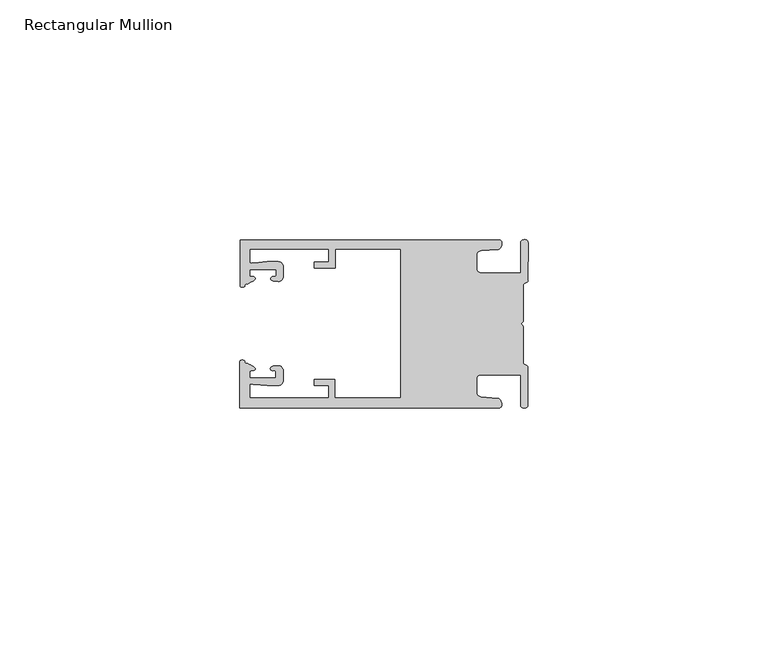
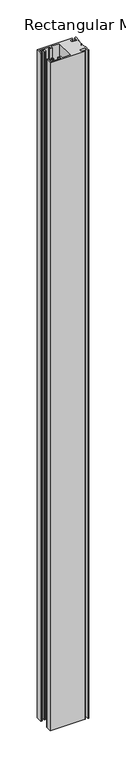
"""IFC4 building model written with IfcOpenShell, lengths in millimetres: member geometry, Rectangular Mullion."""

from ifc_helpers import new_model, si_unit, frame, origin, place, context, project, spatial, circle_curve, source, transform, mapped, element, save
from ifc_brep_helpers import plane_surface, cylinder_surface, extruded_surface, spline_curve, advanced_brep


def rectangular_mullion_dce76a19(model_context):
    return source(origin(), model_context, "Body", "AdvancedBrep", [
        advanced_brep(
        [(-60.0749377, 17.5111528, 0.0), (-60.0749377, 8.0140787, 0.0), (-59.3252567, 7.7187455, 0.0), (-58.4967974, 8.36785, 0.0), (-58.0726619, 10.1173923, 0.0), (-58.0713101, 11.3673916, 0.0), (-52.5713133, 11.3614437, 0.0), (-52.5726651, 10.1114444, 0.0), (-53.1427626, 8.8955539, 0.0), (-52.0740172, 8.8609044, 0.0), (-51.0729364, 9.8598224, 0.0), (-51.0706653, 11.9598211, 0.0), (-52.0700692, 12.9609024, 0.0), (-54.3905105, 12.9622843, 0.0), (-57.1599646, 12.7230061, 0.0), (-58.0696339, 12.9173907, 0.0), (-58.066768, 15.5673891, 0.0), (-41.5667584, 15.5673891, 0.0), (-41.5695894, 12.9495468, 0.0), (-44.5695877, 12.9527912, 0.0), (-44.5709936, 11.6527919, 0.0), (-40.2709961, 11.6481417, 0.0), (-40.2667576, 15.5673891, 0.0), (-26.6002952, 15.5673891, 0.0), (-26.6002952, -15.4518424, 0.0), (-40.3003032, -15.4518424, 0.0), (-40.2960856, -11.5518447, 0.0), (-44.5960831, -11.5471945, 0.0), (-44.597489, -12.8471938, 0.0), (-41.5974907, -12.8504381, 0.0), (-41.6003025, -15.4504366, 0.0), (-58.1002928, -15.4325927, 0.0), (-58.097427, -12.7825943, 0.0), (-57.1873395, -12.5901776, 0.0), (-54.4184094, -12.8354453, 0.0), (-52.0979705, -12.8390822, 0.0), (-51.0964037, -11.8401649, 0.0), (-51.0941327, -9.7401662, 0.0), (-52.0930507, -8.7390853, 0.0), (-53.1618685, -8.7714231, 0.0), (-52.5944022, -9.9885439, 0.0), (-52.595754, -11.2385431, 0.0), (-58.0957508, -11.2325952, 0.0), (-58.094399, -9.9825959, 0.0), (-58.5147494, -8.2321403, 0.0), (-59.3418028, -7.5812455, 0.0), (-60.0921208, -7.8749565, 0.0), (-60.0921208, -17.4888267, 0.0), (-6.1024861, -17.4888267, 0.0), (-6.5218639, -15.488372, 0.0), (-9.8784944, -15.2205466, 0.0), (-10.7989567, -14.2226333, 0.0), (-10.7961029, -11.5837474, 0.0), (-9.8734844, -10.5878272, 0.0), (-1.5950266, -10.5934991, 0.0), (-1.601948, -16.9936935, 0.0), (-0.1017194, -16.7830581, 0.0), (-0.0933208, -9.0170082, 0.0), (-1.0923837, -8.1499018, 0.0), (-1.0842165, -0.5977972, 0.0), (-1.0829111, 0.6093089, 0.0), (-1.0747439, 8.1614135, 0.0), (-0.0738079, 9.026357, 0.0), (-0.0654093, 16.7924069, 0.0), (-1.5651789, 17.0062866, 0.0), (-1.5651789, 10.6183257, 0.0), (-9.8505511, 10.6183257, 0.0), (-10.7710133, 11.6162391, 0.0), (-10.7681595, 14.255125, 0.0), (-9.845541, 15.2510452, 0.0), (-6.4883391, 15.5116099, 0.0), (-6.0646356, 17.5111528, 0.0), (-60.0749377, 17.5111528, -1097.68), (-6.0646356, 17.5111528, -1097.68), (-6.4883391, 15.5116099, -1097.68), (-9.845541, 15.2510452, -1097.68), (-10.7681595, 14.255125, -1097.68), (-10.7710133, 11.6162391, -1097.68), (-9.8505511, 10.6183257, -1097.68), (-1.5651789, 10.6183257, -1097.68), (-1.5651789, 17.0062866, -1097.68), (-0.0654093, 16.7924069, -1097.68), (-0.0738079, 9.026357, -1097.68), (-1.0747439, 8.1614135, -1097.68), (-1.0829111, 0.6093089, -1097.68), (-1.0842165, -0.5977972, -1097.68), (-1.0923837, -8.1499018, -1097.68), (-0.0933208, -9.0170082, -1097.68), (-0.1017194, -16.7830581, -1097.68), (-1.601948, -16.9936935, -1097.68), (-1.5950266, -10.5934991, -1097.68), (-9.8734844, -10.5878272, -1097.68), (-10.7961029, -11.5837474, -1097.68), (-10.7989567, -14.2226333, -1097.68), (-9.8784944, -15.2205466, -1097.68), (-6.5218639, -15.488372, -1097.68), (-6.1024861, -17.4888267, -1097.68), (-60.0921208, -17.4888267, -1097.68), (-60.0921208, -7.8749565, -1097.68), (-59.3418028, -7.5812455, -1097.68), (-58.5147494, -8.2321403, -1097.68), (-58.094399, -9.9825959, -1097.68), (-58.0957508, -11.2325952, -1097.68), (-52.595754, -11.2385431, -1097.68), (-52.5944022, -9.9885439, -1097.68), (-53.1618685, -8.7714231, -1097.68), (-52.0930507, -8.7390853, -1097.68), (-51.0941327, -9.7401662, -1097.68), (-51.0964037, -11.8401649, -1097.68), (-52.0979705, -12.8390823, -1097.68), (-54.4184094, -12.8354453, -1097.68), (-57.1873395, -12.5901776, -1097.68), (-58.097427, -12.7825943, -1097.68), (-58.1002928, -15.4325927, -1097.68), (-41.6003025, -15.4504366, -1097.68), (-41.5974907, -12.8504381, -1097.68), (-44.597489, -12.8471938, -1097.68), (-44.5960831, -11.5471945, -1097.68), (-40.2960856, -11.5518447, -1097.68), (-40.3003032, -15.4518424, -1097.68), (-26.6002952, -15.4518424, -1097.68), (-26.6002952, 15.5673891, -1097.68), (-40.2667576, 15.5673891, -1097.68), (-40.2709961, 11.6481417, -1097.68), (-44.5709936, 11.6527919, -1097.68), (-44.5695877, 12.9527912, -1097.68), (-41.5695894, 12.9495468, -1097.68), (-41.5667584, 15.5673891, -1097.68), (-58.066768, 15.5673891, -1097.68), (-58.0696339, 12.9173907, -1097.68), (-57.1599646, 12.7230061, -1097.68), (-54.3905105, 12.9622843, -1097.68), (-52.0700692, 12.9609023, -1097.68), (-51.0706653, 11.9598211, -1097.68), (-51.0729364, 9.8598224, -1097.68), (-52.0740172, 8.8609044, -1097.68), (-53.1427626, 8.8955539, -1097.68), (-52.5726651, 10.1114444, -1097.68), (-52.5713133, 11.3614437, -1097.68), (-58.0713101, 11.3673916, -1097.68), (-58.0726619, 10.1173923, -1097.68), (-58.4967974, 8.36785, -1097.68), (-59.3252567, 7.7187455, -1097.68), (-60.0749377, 8.0140787, -1097.68)],
        [
            (0, 1),
            (1, 2, spline_curve(3, [(-60.0749377, 8.0140787, 0.0), (-60.075233123, 7.740904774, 0.0), (-59.825339491, 7.642460332, 0.0), (-59.3252567, 7.7187455, 0.0)], [4, 4], [0.0, 0.0019169337574178654])),
            (2, 3, spline_curve(3, [(-59.3252567, 7.7187455, 0.0), (-59.094460914, 7.75918372, 0.0), (-59.054835463, 7.902257199, 0.0), (-59.05559987, 8.233305614, 0.0), (-59.138729113, 8.4134359, 0.0), (-58.4967974, 8.36785, 0.0)], [4, 2, 4], [0.0, 0.0010199524164107188, 0.0024874514725970356])),
            (3, 4, spline_curve(3, [(-58.4967974, 8.36785, 0.0), (-57.022393378, 9.053435667, 0.0), (-56.827266887, 9.364828726, 0.0), (-56.982213078, 9.742623404, 0.0), (-57.177375211, 9.855581791, 0.0), (-57.697928101, 9.887955071, 0.0), (-57.997449153, 9.835475348, 0.0), (-58.0726619, 10.1173923, 0.0)], [4, 2, 2, 4], [0.0, 0.003269869179570428, 0.005490050486237203, 0.0073545767114364426])),
            (4, 5),
            (5, 6),
            (6, 7),
            (7, 8, spline_curve(3, [(-52.5726651, 10.1114444, 0.0), (-52.667195519, 9.760172042, 0.0), (-52.937094388, 9.861877724, 0.0), (-53.356237032, 9.895631753, 0.0), (-53.491940439, 9.811038713, 0.0), (-53.761900775, 9.511438033, 0.0), (-53.892893546, 9.278787104, 0.0), (-53.1427626, 8.8955539, 0.0)], [4, 2, 2, 4], [0.0, 0.001593963049934732, 0.0033360256320283306, 0.005339140673503943])),
            (8, 9),
            (9, 10, circle_curve(frame((-52.0729358, 9.8609038, 0.0), z_axis=(0.0, 0.0, 1.0), x_axis=(-0.0010814451158600304, -0.9999994152380598, 0.0)), 1.0)),
            (10, 11),
            (11, 12, circle_curve(frame((-52.0706647, 11.9609026, 0.0), z_axis=(0.0, 0.0, 1.0), x_axis=(-0.0010814451158600304, -0.9999994152380598, 0.0)), 1.0)),
            (12, 13),
            (13, 14),
            (14, 15, spline_curve(3, [(-57.1599646, 12.7230061, 0.0), (-57.631533854, 12.682262968, 0.0), (-58.018602985, 12.477800124, 0.0), (-58.0696339, 12.9173907, 0.0)], [4, 4], [0.0, 0.0014803385355886016])),
            (15, 16),
            (16, 17),
            (17, 18),
            (18, 19),
            (19, 20),
            (20, 21),
            (21, 22),
            (22, 23),
            (23, 24),
            (24, 25),
            (25, 26),
            (26, 27),
            (27, 28),
            (28, 29),
            (29, 30),
            (30, 31),
            (31, 32),
            (32, 33, spline_curve(3, [(-58.097427, -12.7825943, 0.0), (-58.045445419, -12.343115126, 0.0), (-57.658819528, -12.548414611, 0.0), (-57.1873395, -12.5901776, 0.0)], [4, 4], [0.0, 0.0014803385355886016])),
            (33, 34),
            (34, 35),
            (35, 36, circle_curve(frame((-52.0964031, -11.8390835, 0.0), z_axis=(0.0, 0.0, 1.0), x_axis=(0.0010814451158600304, 0.9999994152380598, 0.0)), 1.0)),
            (36, 37),
            (37, 38, circle_curve(frame((-52.0941321, -9.7390847, 0.0), z_axis=(0.0, 0.0, 1.0), x_axis=(0.0010814451158600304, 0.9999994152380598, 0.0)), 1.0)),
            (38, 39),
            (39, 40, spline_curve(3, [(-53.1618685, -8.7714231, 0.0), (-53.912826582, -9.153032958, 0.0), (-53.782337352, -9.385966711, 0.0), (-53.51302565, -9.686150585, 0.0), (-53.377505444, -9.771037009, 0.0), (-52.958290774, -9.738189618, 0.0), (-52.688172635, -9.637067904, 0.0), (-52.5944022, -9.9885439, 0.0)], [4, 2, 2, 4], [0.0, 0.002003115041475612, 0.0037451776235692107, 0.005339140673503943])),
            (40, 41),
            (41, 42),
            (42, 43),
            (43, 44, spline_curve(3, [(-58.094399, -9.9825959, 0.0), (-58.018576674, -9.700842284, 0.0), (-57.719169706, -9.753969703, 0.0), (-57.198548014, -9.722722397, 0.0), (-57.003142178, -9.61018632, 0.0), (-56.847379222, -9.232727657, 0.0), (-57.041831673, -8.920913336, 0.0), (-58.5147494, -8.2321403, 0.0)], [4, 2, 2, 4], [0.0, 0.0018645262251992395, 0.004084707531866015, 0.0073545767114364426])),
            (44, 45, spline_curve(3, [(-58.5147494, -8.2321403, 0.0), (-59.156778208, -8.276337666, 0.0), (-59.073259494, -8.096387681, 0.0), (-59.071779067, -7.765341694, 0.0), (-59.111095017, -7.622182811, 0.0), (-59.3418028, -7.5812455, 0.0)], [4, 2, 4], [0.0, 0.0014674990561863168, 0.0024874514725970356])),
            (45, 46, spline_curve(3, [(-59.3418028, -7.5812455, 0.0), (-59.841719425, -7.503878887, 0.0), (-60.091825377, -7.601782574, 0.0), (-60.0921208, -7.8749565, 0.0)], [4, 4], [0.0, 0.0019169337574178654])),
            (46, 47),
            (47, 48),
            (48, 49, spline_curve(3, [(-6.1024861, -17.4888267, 0.0), (-5.074532184, -17.418062188, 0.0), (-5.631140689, -15.411414367, 0.0), (-6.5218639, -15.488372, 0.0)], [4, 4], [0.0, 0.0043819361547461745])),
            (49, 50),
            (50, 51, spline_curve(3, [(-9.8784944, -15.2205466, 0.0), (-10.440691543, -15.150698463, 0.0), (-10.74751234, -14.818060727, 0.0), (-10.7989567, -14.2226333, 0.0)], [4, 4], [0.0, 0.0028645797420738927])),
            (51, 52),
            (52, 53, spline_curve(3, [(-10.7961029, -11.5837474, 0.0), (-10.743370817, -10.988432634, 0.0), (-10.435831301, -10.656459204, 0.0), (-9.8734844, -10.5878272, 0.0)], [4, 4], [0.0, 0.0028645797420738927])),
            (53, 54),
            (54, 55),
            (55, 56, spline_curve(3, [(-1.601948, -16.9936935, 0.0), (-1.655676874, -17.600261454, 0.0), (-0.043737403, -17.912795581, 0.0), (-0.1017194, -16.7830581, 0.0)], [4, 4], [0.0, 0.0036987374396357936])),
            (56, 57),
            (57, 58, spline_curve(3, [(-0.0933208, -9.0170082, 0.0), (-0.018818183, -8.695886697, 0.0), (-1.193434327, -8.459763043, 0.0), (-1.0923837, -8.1499018, 0.0)], [4, 4], [0.0, 0.002027216749630121])),
            (58, 59),
            (59, 60, spline_curve(3, [(-1.0842165, -0.5977972, 0.0), (-1.013223198, -0.445980437, 0.0), (-1.487945123, -0.206736825, 0.0), (-1.487409651, 0.231097965, 0.0), (-0.999110985, 0.429090391, 0.0), (-1.0829111, 0.6093089, 0.0)], [4, 2, 4], [0.0, 0.00249866671847065, 0.005031402919736269])),
            (60, 61),
            (61, 62, spline_curve(3, [(-1.0747439, 8.1614135, 0.0), (-1.175124095, 8.47149258, 0.0), (-7e-09, 8.705075107, 0.0), (-0.0738079, 9.026357, 0.0)], [4, 4], [0.0, 0.002027216749630121])),
            (62, 63),
            (63, 64, spline_curve(3, [(-0.0654093, 16.7924069, 0.0), (-0.004983942, 17.92201633, 0.0), (-1.617595709, 17.612969344, 0.0), (-1.5651789, 17.0062866, 0.0)], [4, 4], [0.0, 0.0036987374396357936])),
            (64, 65),
            (65, 66),
            (66, 67, spline_curve(3, [(-9.8505511, 10.6183257, 0.0), (-10.412748243, 10.688173837, 0.0), (-10.71956894, 11.020811673, 0.0), (-10.7710133, 11.6162391, 0.0)], [4, 4], [0.0, 0.0028645797420738927])),
            (67, 68),
            (68, 69, spline_curve(3, [(-10.7681595, 14.255125, 0.0), (-10.715427417, 14.850439766, 0.0), (-10.407887901, 15.182413196, 0.0), (-9.845541, 15.2510452, 0.0)], [4, 4], [0.0, 0.0028645797420738927])),
            (69, 70),
            (70, 71, spline_curve(3, [(-6.4883391, 15.5116099, 0.0), (-5.597784423, 15.432725911, 0.0), (-5.036837144, 17.438165103, 0.0), (-6.0646356, 17.5111528, 0.0)], [4, 4], [0.0, 0.0043819361547461745])),
            (71, 0),
            (72, 73),
            (73, 74, spline_curve(3, [(-6.0646356, 17.5111528, -1097.68), (-5.036837144, 17.438165103, -1097.68), (-5.597784423, 15.432725911, -1097.68), (-6.4883391, 15.5116099, -1097.68)], [4, 4], [0.0, 0.0043819361547461745])),
            (74, 75),
            (75, 76, spline_curve(3, [(-9.845541, 15.2510452, -1097.68), (-10.407887901, 15.182413196, -1097.68), (-10.715427417, 14.850439766, -1097.68), (-10.7681595, 14.255125, -1097.68)], [4, 4], [0.0, 0.0028645797420738927])),
            (76, 77),
            (77, 78, spline_curve(3, [(-10.7710133, 11.6162391, -1097.68), (-10.71956894, 11.020811673, -1097.68), (-10.412748243, 10.688173837, -1097.68), (-9.8505511, 10.6183257, -1097.68)], [4, 4], [0.0, 0.0028645797420738927])),
            (78, 79),
            (79, 80),
            (80, 81, spline_curve(3, [(-1.5651789, 17.0062866, -1097.68), (-1.617595709, 17.612969344, -1097.68), (-0.004983942, 17.92201633, -1097.68), (-0.0654093, 16.7924069, -1097.68)], [4, 4], [0.0, 0.0036987374396357936])),
            (81, 82),
            (82, 83, spline_curve(3, [(-0.0738079, 9.026357, -1097.68), (-7e-09, 8.705075107, -1097.68), (-1.175124095, 8.47149258, -1097.68), (-1.0747439, 8.1614135, -1097.68)], [4, 4], [0.0, 0.002027216749630121])),
            (83, 84),
            (84, 85, spline_curve(3, [(-1.0829111, 0.6093089, -1097.68), (-0.999110985, 0.429090391, -1097.68), (-1.487409651, 0.231097965, -1097.68), (-1.487945123, -0.206736825, -1097.68), (-1.013223198, -0.445980437, -1097.68), (-1.0842165, -0.5977972, -1097.68)], [4, 2, 4], [0.0, 0.002532736201265619, 0.005031402919736269])),
            (85, 86),
            (86, 87, spline_curve(3, [(-1.0923837, -8.1499018, -1097.68), (-1.193434327, -8.459763043, -1097.68), (-0.018818183, -8.695886697, -1097.68), (-0.0933208, -9.0170082, -1097.68)], [4, 4], [0.0, 0.002027216749630121])),
            (87, 88),
            (88, 89, spline_curve(3, [(-0.1017194, -16.7830581, -1097.68), (-0.043737403, -17.912795581, -1097.68), (-1.655676874, -17.600261454, -1097.68), (-1.601948, -16.9936935, -1097.68)], [4, 4], [0.0, 0.0036987374396357936])),
            (89, 90),
            (90, 91),
            (91, 92, spline_curve(3, [(-9.8734844, -10.5878272, -1097.68), (-10.435831301, -10.656459204, -1097.68), (-10.743370817, -10.988432634, -1097.68), (-10.7961029, -11.5837474, -1097.68)], [4, 4], [0.0, 0.0028645797420738927])),
            (92, 93),
            (93, 94, spline_curve(3, [(-10.7989567, -14.2226333, -1097.68), (-10.74751234, -14.818060727, -1097.68), (-10.440691543, -15.150698463, -1097.68), (-9.8784944, -15.2205466, -1097.68)], [4, 4], [0.0, 0.0028645797420738927])),
            (94, 95),
            (95, 96, spline_curve(3, [(-6.5218639, -15.488372, -1097.68), (-5.631140689, -15.411414367, -1097.68), (-5.074532184, -17.418062188, -1097.68), (-6.1024861, -17.4888267, -1097.68)], [4, 4], [0.0, 0.0043819361547461745])),
            (96, 97),
            (97, 98),
            (98, 99, spline_curve(3, [(-60.0921208, -7.8749565, -1097.68), (-60.091825377, -7.601782574, -1097.68), (-59.841719425, -7.503878887, -1097.68), (-59.3418028, -7.5812455, -1097.68)], [4, 4], [0.0, 0.0019169337574178654])),
            (99, 100, spline_curve(3, [(-59.3418028, -7.5812455, -1097.68), (-59.111095017, -7.622182811, -1097.68), (-59.071779067, -7.765341694, -1097.68), (-59.073259494, -8.096387681, -1097.68), (-59.156778208, -8.276337666, -1097.68), (-58.5147494, -8.2321403, -1097.68)], [4, 2, 4], [0.0, 0.0010199524164107188, 0.0024874514725970356])),
            (100, 101, spline_curve(3, [(-58.5147494, -8.2321403, -1097.68), (-57.041831673, -8.920913336, -1097.68), (-56.847379222, -9.232727657, -1097.68), (-57.003142178, -9.61018632, -1097.68), (-57.198548014, -9.722722397, -1097.68), (-57.719169706, -9.753969703, -1097.68), (-58.018576674, -9.700842284, -1097.68), (-58.094399, -9.9825959, -1097.68)], [4, 2, 2, 4], [0.0, 0.003269869179570428, 0.005490050486237203, 0.0073545767114364426])),
            (101, 102),
            (102, 103),
            (103, 104),
            (104, 105, spline_curve(3, [(-52.5944022, -9.9885439, -1097.68), (-52.688172635, -9.637067904, -1097.68), (-52.958290774, -9.738189618, -1097.68), (-53.377505444, -9.771037009, -1097.68), (-53.51302565, -9.686150585, -1097.68), (-53.782337352, -9.385966711, -1097.68), (-53.912826582, -9.153032958, -1097.68), (-53.1618685, -8.7714231, -1097.68)], [4, 2, 2, 4], [0.0, 0.001593963049934732, 0.0033360256320283306, 0.005339140673503943])),
            (105, 106),
            (106, 107, circle_curve(frame((-52.0941321, -9.7390847, -1097.68), z_axis=(0.0, 0.0, -1.0), x_axis=(0.0010814451158600304, 0.9999994152380598, 0.0)), 1.0)),
            (107, 108),
            (108, 109, circle_curve(frame((-52.0964031, -11.8390835, -1097.68), z_axis=(0.0, 0.0, -1.0), x_axis=(0.0010814451158600304, 0.9999994152380598, 0.0)), 1.0)),
            (109, 110),
            (110, 111),
            (111, 112, spline_curve(3, [(-57.1873395, -12.5901776, -1097.68), (-57.658819528, -12.548414611, -1097.68), (-58.045445419, -12.343115126, -1097.68), (-58.097427, -12.7825943, -1097.68)], [4, 4], [0.0, 0.0014803385355886016])),
            (112, 113),
            (113, 114),
            (114, 115),
            (115, 116),
            (116, 117),
            (117, 118),
            (118, 119),
            (119, 120),
            (120, 121),
            (121, 122),
            (122, 123),
            (123, 124),
            (124, 125),
            (125, 126),
            (126, 127),
            (127, 128),
            (128, 129),
            (129, 130, spline_curve(3, [(-58.0696339, 12.9173907, -1097.68), (-58.018602985, 12.477800124, -1097.68), (-57.631533854, 12.682262968, -1097.68), (-57.1599646, 12.7230061, -1097.68)], [4, 4], [0.0, 0.0014803385355886016])),
            (130, 131),
            (131, 132),
            (132, 133, circle_curve(frame((-52.0706647, 11.9609026, -1097.68), z_axis=(0.0, 0.0, -1.0), x_axis=(-0.0010814451158600304, -0.9999994152380598, 0.0)), 1.0)),
            (133, 134),
            (134, 135, circle_curve(frame((-52.0729358, 9.8609038, -1097.68), z_axis=(0.0, 0.0, -1.0), x_axis=(-0.0010814451158600304, -0.9999994152380598, 0.0)), 1.0)),
            (135, 136),
            (136, 137, spline_curve(3, [(-53.1427626, 8.8955539, -1097.68), (-53.892893546, 9.278787104, -1097.68), (-53.761900775, 9.511438033, -1097.68), (-53.491940439, 9.811038713, -1097.68), (-53.356237032, 9.895631753, -1097.68), (-52.937094388, 9.861877724, -1097.68), (-52.667195519, 9.760172042, -1097.68), (-52.5726651, 10.1114444, -1097.68)], [4, 2, 2, 4], [0.0, 0.002003115041475612, 0.0037451776235692107, 0.005339140673503943])),
            (137, 138),
            (138, 139),
            (139, 140),
            (140, 141, spline_curve(3, [(-58.0726619, 10.1173923, -1097.68), (-57.997449153, 9.835475348, -1097.68), (-57.697928101, 9.887955071, -1097.68), (-57.177375211, 9.855581791, -1097.68), (-56.982213078, 9.742623404, -1097.68), (-56.827266887, 9.364828726, -1097.68), (-57.022393378, 9.053435667, -1097.68), (-58.4967974, 8.36785, -1097.68)], [4, 2, 2, 4], [0.0, 0.0018645262251992395, 0.004084707531866015, 0.0073545767114364426])),
            (141, 142, spline_curve(3, [(-58.4967974, 8.36785, -1097.68), (-59.138729113, 8.4134359, -1097.68), (-59.05559987, 8.233305614, -1097.68), (-59.054835463, 7.902257199, -1097.68), (-59.094460914, 7.75918372, -1097.68), (-59.3252567, 7.7187455, -1097.68)], [4, 2, 4], [0.0, 0.0014674990561863168, 0.0024874514725970356])),
            (142, 143, spline_curve(3, [(-59.3252567, 7.7187455, -1097.68), (-59.825339491, 7.642460332, -1097.68), (-60.075233123, 7.740904774, -1097.68), (-60.0749377, 8.0140787, -1097.68)], [4, 4], [0.0, 0.0019169337574178654])),
            (143, 72),
            (0, 72),
            (143, 1),
            (142, 2),
            (141, 3),
            (140, 4),
            (139, 5),
            (138, 6),
            (137, 7),
            (136, 8),
            (135, 9),
            (134, 10),
            (133, 11),
            (132, 12),
            (131, 13),
            (130, 14),
            (129, 15),
            (128, 16),
            (127, 17),
            (126, 18),
            (125, 19),
            (124, 20),
            (123, 21),
            (122, 22),
            (121, 23),
            (120, 24),
            (119, 25),
            (118, 26),
            (117, 27),
            (116, 28),
            (115, 29),
            (114, 30),
            (113, 31),
            (112, 32),
            (111, 33),
            (110, 34),
            (109, 35),
            (108, 36),
            (107, 37),
            (106, 38),
            (105, 39),
            (104, 40),
            (103, 41),
            (102, 42),
            (101, 43),
            (100, 44),
            (99, 45),
            (98, 46),
            (97, 47),
            (96, 48),
            (95, 49),
            (94, 50),
            (93, 51),
            (92, 52),
            (91, 53),
            (90, 54),
            (89, 55),
            (88, 56),
            (87, 57),
            (86, 58),
            (85, 59),
            (84, 60),
            (83, 61),
            (82, 62),
            (81, 63),
            (80, 64),
            (79, 65),
            (78, 66),
            (77, 67),
            (76, 68),
            (75, 69),
            (74, 70),
            (73, 71),
        ],
        [
            plane_surface(frame((0.0, -62.5853181, 0.0), z_axis=(0.0, 0.0, 1.0), x_axis=(-1.0, 0.0, 0.0))),
            plane_surface(frame((0.0, -62.5853181, -1097.68), z_axis=(0.0, 0.0, -1.0), x_axis=(-1.0, 0.0, 0.0))),
            plane_surface(frame((-60.0749377, 17.5111528, 0.0), z_axis=(-1.0, 0.0, 0.0), x_axis=(0.0, 0.0, -1.0))),
            extruded_surface(spline_curve(3, [(-60.0749377, 8.0140787, -1097.68), (-60.075233123, 7.740904774, -1097.68), (-59.825339491, 7.642460332, -1097.68), (-59.3252567, 7.7187455, -1097.68)], [4, 4], [0.0, 0.0019169337574178654]), (0.0, 0.0, 1097.68), 1097.68),
            extruded_surface(spline_curve(3, [(-59.3252567, 7.7187455, -1097.68), (-59.094460914, 7.75918372, -1097.68), (-59.054835463, 7.902257199, -1097.68), (-59.05559987, 8.233305614, -1097.68), (-59.138729113, 8.4134359, -1097.68), (-58.4967974, 8.36785, -1097.68)], [4, 2, 4], [0.0, 0.0010199524164107188, 0.0024874514725970356]), (0.0, 0.0, 1097.68), 1097.68),
            extruded_surface(spline_curve(3, [(-58.4967974, 8.36785, -1097.68), (-57.022393378, 9.053435667, -1097.68), (-56.827266887, 9.364828726, -1097.68), (-56.982213078, 9.742623404, -1097.68), (-57.177375211, 9.855581791, -1097.68), (-57.697928101, 9.887955071, -1097.68), (-57.997449153, 9.835475348, -1097.68), (-58.0726619, 10.1173923, -1097.68)], [4, 2, 2, 4], [0.0, 0.003269869179570428, 0.005490050486237203, 0.0073545767114364426]), (0.0, 0.0, 1097.68), 1097.68),
            plane_surface(frame((-58.0726619, 10.1173923, 0.0), z_axis=(0.9999994152380598, -0.0010814451158634145, 0.0), x_axis=(0.0, 0.0, -1.0))),
            plane_surface(frame((-58.0713101, 11.3673916, 0.0), z_axis=(-0.0010814451158616418, -0.9999994152380598, 0.0), x_axis=(0.0, 0.0, -1.0))),
            plane_surface(frame((-52.5713133, 11.3614437, 0.0), z_axis=(-0.9999994152380598, 0.0010814451158643293, 0.0), x_axis=(0.0, 0.0, -1.0))),
            extruded_surface(spline_curve(3, [(-52.5726651, 10.1114444, -1097.68), (-52.667195519, 9.760172042, -1097.68), (-52.937094388, 9.861877724, -1097.68), (-53.356237032, 9.895631753, -1097.68), (-53.491940439, 9.811038713, -1097.68), (-53.761900775, 9.511438033, -1097.68), (-53.892893546, 9.278787104, -1097.68), (-53.1427626, 8.8955539, -1097.68)], [4, 2, 2, 4], [0.0, 0.001593963049934732, 0.0033360256320283306, 0.005339140673503943]), (0.0, 0.0, 1097.68), 1097.68),
            plane_surface(frame((-53.1427626, 8.8955539, 0.0), z_axis=(-0.032403661401520414, -0.9994748634797054, 0.0), x_axis=(0.0, 0.0, -1.0))),
            cylinder_surface(frame((-52.0729358, 9.8609038, 0.0), z_axis=(0.0, 0.0, 1.0000000000000002), x_axis=(-0.0010814451158600304, -0.9999994152380598, 0.0)), 1.0),
            plane_surface(frame((-51.0729364, 9.8598224, 0.0), z_axis=(0.9999994152380598, -0.001081445115864059, 0.0), x_axis=(0.0, 0.0, -1.0))),
            cylinder_surface(frame((-52.0706647, 11.9609026, 0.0), z_axis=(0.0, 0.0, 1.0000000000000002), x_axis=(-0.0010814451158600304, -0.9999994152380598, 0.0)), 1.0),
            plane_surface(frame((-52.0700692, 12.9609023, 0.0), z_axis=(0.0005955716436318007, 0.999999822647193, 0.0), x_axis=(0.0, 0.0, -1.0))),
            plane_surface(frame((-54.3905105, 12.9622843, 0.0), z_axis=(-0.08607836189159865, 0.9962883697073147, 0.0), x_axis=(0.0, 0.0, -1.0))),
            extruded_surface(spline_curve(3, [(-57.1599646, 12.7230061, -1097.68), (-57.631533854, 12.682262968, -1097.68), (-58.018602985, 12.477800124, -1097.68), (-58.0696339, 12.9173907, -1097.68)], [4, 4], [0.0, 0.0014803385355886016]), (0.0, 0.0, 1097.68), 1097.68),
            plane_surface(frame((-58.0696339, 12.9173907, 0.0), z_axis=(0.9999994152380598, -0.0010814451158629996, 0.0), x_axis=(0.0, 0.0, -1.0))),
            plane_surface(frame((-58.066768, 15.5673891, 0.0), z_axis=(0.0, -1.0, 0.0), x_axis=(0.0, 0.0, -1.0))),
            plane_surface(frame((-41.5667584, 15.5673891, 0.0), z_axis=(-0.9999994152380598, 0.0010814451158636304, 0.0), x_axis=(0.0, 0.0, -1.0))),
            plane_surface(frame((-41.5695894, 12.9495468, 0.0), z_axis=(0.0010814451158615687, 0.9999994152380598, 0.0), x_axis=(0.0, 0.0, -1.0))),
            plane_surface(frame((-44.5695877, 12.9527912, 0.0), z_axis=(-0.9999994152380598, 0.0010814451158626742, 0.0), x_axis=(0.0, 0.0, -1.0))),
            plane_surface(frame((-44.5709936, 11.6527919, 0.0), z_axis=(-0.001081445115861604, -0.9999994152380598, 0.0), x_axis=(0.0, 0.0, -1.0))),
            plane_surface(frame((-40.2709961, 11.6481417, 0.0), z_axis=(0.9999994152380598, -0.001081445115863507, 0.0), x_axis=(0.0, 0.0, -1.0))),
            plane_surface(frame((-40.2667576, 15.5673891, 0.0), z_axis=(0.0, -1.0, 0.0), x_axis=(0.0, 0.0, -1.0))),
            plane_surface(frame((-26.6002952, 15.5673891, 0.0), z_axis=(-1.0, 0.0, 0.0), x_axis=(0.0, 0.0, -1.0))),
            plane_surface(frame((-26.6002952, -15.4518424, 0.0), z_axis=(0.0, 1.0, 0.0), x_axis=(0.0, 0.0, -1.0))),
            plane_surface(frame((-40.3003032, -15.4518424, 0.0), z_axis=(0.9999994152380598, -0.0010814451158565538, 0.0), x_axis=(0.0, 0.0, -1.0))),
            plane_surface(frame((-40.2960856, -11.5518447, 0.0), z_axis=(0.0010814451158584568, 0.9999994152380598, 0.0), x_axis=(0.0, 0.0, -1.0))),
            plane_surface(frame((-44.5960831, -11.5471945, 0.0), z_axis=(-0.9999994152380598, 0.0010814451158573867, 0.0), x_axis=(0.0, 0.0, -1.0))),
            plane_surface(frame((-44.597489, -12.8471938, 0.0), z_axis=(-0.0010814451158584922, -0.9999994152380598, 0.0), x_axis=(0.0, 0.0, -1.0))),
            plane_surface(frame((-41.5974907, -12.8504381, 0.0), z_axis=(-0.9999994152380598, 0.0010814451158564305, 0.0), x_axis=(0.0, 0.0, -1.0))),
            plane_surface(frame((-41.6003025, -15.4504366, 0.0), z_axis=(0.0010814451158583872, 0.9999994152380598, 0.0), x_axis=(0.0, 0.0, -1.0))),
            plane_surface(frame((-58.1002928, -15.4325927, 0.0), z_axis=(0.9999994152380598, -0.0010814451158570612, 0.0), x_axis=(0.0, 0.0, -1.0))),
            extruded_surface(spline_curve(3, [(-58.097427, -12.7825943, -1097.68), (-58.045445419, -12.343115126, -1097.68), (-57.658819528, -12.548414611, -1097.68), (-57.1873395, -12.5901776, -1097.68)], [4, 4], [0.0, 0.0014803385355886016]), (0.0, 0.0, 1097.68), 1097.68),
            plane_surface(frame((-57.1873395, -12.5901776, 0.0), z_axis=(-0.0882330216729926, -0.9960998614026876, 0.0), x_axis=(0.0, 0.0, -1.0))),
            plane_surface(frame((-54.4184094, -12.8354453, 0.0), z_axis=(-0.0015673183327880543, -0.9999987717558677, 0.0), x_axis=(0.0, 0.0, -1.0))),
            cylinder_surface(frame((-52.0964031, -11.8390835, 0.0), z_axis=(0.0, 0.0, 1.0000000000000002), x_axis=(0.0010814451158600304, 0.9999994152380598, 0.0)), 1.0),
            plane_surface(frame((-51.0964037, -11.8401649, 0.0), z_axis=(0.9999994152380598, -0.001081445115856002, 0.0), x_axis=(0.0, 0.0, -1.0))),
            cylinder_surface(frame((-52.0941321, -9.7390847, 0.0), z_axis=(0.0, 0.0, 1.0000000000000002), x_axis=(0.0010814451158600304, 0.9999994152380598, 0.0)), 1.0),
            plane_surface(frame((-52.0930507, -8.7390853, 0.0), z_axis=(-0.030241832452872642, 0.9995426111826812, 0.0), x_axis=(0.0, 0.0, -1.0))),
            extruded_surface(spline_curve(3, [(-53.1618685, -8.7714231, -1097.68), (-53.912826582, -9.153032958, -1097.68), (-53.782337352, -9.385966711, -1097.68), (-53.51302565, -9.686150585, -1097.68), (-53.377505444, -9.771037009, -1097.68), (-52.958290774, -9.738189618, -1097.68), (-52.688172635, -9.637067904, -1097.68), (-52.5944022, -9.9885439, -1097.68)], [4, 2, 2, 4], [0.0, 0.002003115041475612, 0.0037451776235692107, 0.005339140673503943]), (0.0, 0.0, 1097.68), 1097.68),
            plane_surface(frame((-52.5944022, -9.9885439, 0.0), z_axis=(-0.9999994152380598, 0.0010814451158557316, 0.0), x_axis=(0.0, 0.0, -1.0))),
            plane_surface(frame((-52.595754, -11.2385431, 0.0), z_axis=(0.001081445115858419, 0.9999994152380598, 0.0), x_axis=(0.0, 0.0, -1.0))),
            plane_surface(frame((-58.0957508, -11.2325952, 0.0), z_axis=(0.9999994152380598, -0.0010814451158566464, 0.0), x_axis=(0.0, 0.0, -1.0))),
            extruded_surface(spline_curve(3, [(-58.094399, -9.9825959, -1097.68), (-58.018576674, -9.700842284, -1097.68), (-57.719169706, -9.753969703, -1097.68), (-57.198548014, -9.722722397, -1097.68), (-57.003142178, -9.61018632, -1097.68), (-56.847379222, -9.232727657, -1097.68), (-57.041831673, -8.920913336, -1097.68), (-58.5147494, -8.2321403, -1097.68)], [4, 2, 2, 4], [0.0, 0.0018645262251992395, 0.004084707531866015, 0.0073545767114364426]), (0.0, 0.0, 1097.68), 1097.68),
            extruded_surface(spline_curve(3, [(-58.5147494, -8.2321403, -1097.68), (-59.156778208, -8.276337666, -1097.68), (-59.073259494, -8.096387681, -1097.68), (-59.071779067, -7.765341694, -1097.68), (-59.111095017, -7.622182811, -1097.68), (-59.3418028, -7.5812455, -1097.68)], [4, 2, 4], [0.0, 0.0014674990561863168, 0.0024874514725970356]), (0.0, 0.0, 1097.68), 1097.68),
            extruded_surface(spline_curve(3, [(-59.3418028, -7.5812455, -1097.68), (-59.841719425, -7.503878887, -1097.68), (-60.091825377, -7.601782574, -1097.68), (-60.0921208, -7.8749565, -1097.68)], [4, 4], [0.0, 0.0019169337574178654]), (0.0, 0.0, 1097.68), 1097.68),
            plane_surface(frame((-60.0921208, -7.8749565, 0.0), z_axis=(-1.0, 0.0, 0.0), x_axis=(0.0, 0.0, -1.0))),
            plane_surface(frame((-60.0921208, -17.4888267, 0.0), z_axis=(0.0, -1.0, 0.0), x_axis=(0.0, 0.0, -1.0))),
            extruded_surface(spline_curve(3, [(-6.1024861, -17.4888267, -1097.68), (-5.074532184, -17.418062188, -1097.68), (-5.631140689, -15.411414367, -1097.68), (-6.5218639, -15.488372, -1097.68)], [4, 4], [0.0, 0.0043819361547461745]), (0.0, 0.0, 1097.68), 1097.68),
            plane_surface(frame((-6.5218639, -15.488372, 0.0), z_axis=(0.07953716124904908, 0.9968319015663789, 0.0), x_axis=(0.0, 0.0, -1.0))),
            extruded_surface(spline_curve(3, [(-9.8784944, -15.2205466, -1097.68), (-10.440691543, -15.150698463, -1097.68), (-10.74751234, -14.818060727, -1097.68), (-10.7989567, -14.2226333, -1097.68)], [4, 4], [0.0, 0.0028645797420738927]), (0.0, 0.0, 1097.68), 1097.68),
            plane_surface(frame((-10.7989567, -14.2226333, 0.0), z_axis=(0.9999994152380598, -0.0010814451158568247, 0.0), x_axis=(0.0, 0.0, -1.0))),
            extruded_surface(spline_curve(3, [(-10.7961029, -11.5837474, -1097.68), (-10.743370817, -10.988432634, -1097.68), (-10.435831301, -10.656459204, -1097.68), (-9.8734844, -10.5878272, -1097.68)], [4, 4], [0.0, 0.0028645797420738927]), (0.0, 0.0, 1097.68), 1097.68),
            plane_surface(frame((-9.8734844, -10.5878272, 0.0), z_axis=(-0.0006851371995361226, -0.9999997652934814, 0.0), x_axis=(0.0, 0.0, -1.0))),
            plane_surface(frame((-1.5950266, -10.5934991, 0.0), z_axis=(-0.9999994152380598, 0.0010814451158568644, 0.0), x_axis=(0.0, 0.0, -1.0))),
            extruded_surface(spline_curve(3, [(-1.601948, -16.9936935, -1097.68), (-1.655676874, -17.600261454, -1097.68), (-0.043737403, -17.912795581, -1097.68), (-0.1017194, -16.7830581, -1097.68)], [4, 4], [0.0, 0.0036987374396357936]), (0.0, 0.0, 1097.68), 1097.68),
            plane_surface(frame((-0.1017194, -16.7830581, 0.0), z_axis=(0.9999994152380598, -0.001081445115856699, 0.0), x_axis=(0.0, 0.0, -1.0))),
            extruded_surface(spline_curve(3, [(-0.0933208, -9.0170082, -1097.68), (-0.018818183, -8.695886697, -1097.68), (-1.193434327, -8.459763043, -1097.68), (-1.0923837, -8.1499018, -1097.68)], [4, 4], [0.0, 0.002027216749630121]), (0.0, 0.0, 1097.68), 1097.68),
            plane_surface(frame((-1.0923837, -8.1499018, 0.0), z_axis=(0.9999994152380598, -0.0010814451158566698, 0.0), x_axis=(0.0, 0.0, -1.0))),
            extruded_surface(spline_curve(3, [(-1.0842165, -0.5977972, -1097.68), (-1.013223198, -0.445980437, -1097.68), (-1.487945123, -0.206736825, -1097.68), (-1.487409651, 0.231097965, -1097.68), (-0.999110985, 0.429090391, -1097.68), (-1.0829111, 0.6093089, -1097.68)], [4, 2, 4], [0.0, 0.00249866671847065, 0.005031402919736269]), (0.0, 0.0, 1097.68), 1097.68),
            plane_surface(frame((-1.0829111, 0.6093089, 0.0), z_axis=(0.9999994152380598, -0.001081445115863391, 0.0), x_axis=(0.0, 0.0, -1.0))),
            extruded_surface(spline_curve(3, [(-1.0747439, 8.1614135, -1097.68), (-1.175124095, 8.47149258, -1097.68), (-7e-09, 8.705075107, -1097.68), (-0.0738079, 9.026357, -1097.68)], [4, 4], [0.0, 0.002027216749630121]), (0.0, 0.0, 1097.68), 1097.68),
            plane_surface(frame((-0.0738079, 9.026357, 0.0), z_axis=(0.9999994152380598, -0.001081445115863362, 0.0), x_axis=(0.0, 0.0, -1.0))),
            extruded_surface(spline_curve(3, [(-0.0654093, 16.7924069, -1097.68), (-0.004983942, 17.92201633, -1097.68), (-1.617595709, 17.612969344, -1097.68), (-1.5651789, 17.0062866, -1097.68)], [4, 4], [0.0, 0.0036987374396357936]), (0.0, 0.0, 1097.68), 1097.68),
            plane_surface(frame((-1.5651789, 17.0062866, 0.0), z_axis=(-1.0, 0.0, 0.0), x_axis=(0.0, 0.0, -1.0))),
            plane_surface(frame((-1.5651789, 10.6183257, 0.0), z_axis=(0.0, 1.0, 0.0), x_axis=(0.0, 0.0, -1.0))),
            extruded_surface(spline_curve(3, [(-9.8505511, 10.6183257, -1097.68), (-10.412748243, 10.688173837, -1097.68), (-10.71956894, 11.020811673, -1097.68), (-10.7710133, 11.6162391, -1097.68)], [4, 4], [0.0, 0.0028645797420738927]), (0.0, 0.0, 1097.68), 1097.68),
            plane_surface(frame((-10.7710133, 11.6162391, 0.0), z_axis=(0.9999994152380598, -0.0010814451158632362, 0.0), x_axis=(0.0, 0.0, -1.0))),
            extruded_surface(spline_curve(3, [(-10.7681595, 14.255125, -1097.68), (-10.715427417, 14.850439766, -1097.68), (-10.407887901, 15.182413196, -1097.68), (-9.845541, 15.2510452, -1097.68)], [4, 4], [0.0, 0.0028645797420738927]), (0.0, 0.0, 1097.68), 1097.68),
            plane_surface(frame((-9.845541, 15.2510452, 0.0), z_axis=(0.07738093848608862, -0.9970015999781607, 0.0), x_axis=(0.0, 0.0, -1.0))),
            extruded_surface(spline_curve(3, [(-6.4883391, 15.5116099, -1097.68), (-5.597784423, 15.432725911, -1097.68), (-5.036837144, 17.438165103, -1097.68), (-6.0646356, 17.5111528, -1097.68)], [4, 4], [0.0, 0.0043819361547461745]), (0.0, 0.0, 1097.68), 1097.68),
            plane_surface(frame((-6.0646356, 17.5111528, 0.0), z_axis=(0.0, 1.0, 0.0), x_axis=(0.0, 0.0, -1.0))),
        ],
        [
            (0, [[1, 2, 3, 4, 5, 6, 7, 8, 9, 10, 11, 12, 13, 14, 15, 16, 17, 18, 19, 20, 21, 22, 23, 24, 25, 26, 27, 28, 29, 30, 31, 32, 33, 34, 35, 36, 37, 38, 39, 40, 41, 42, 43, 44, 45, 46, 47, 48, 49, 50, 51, 52, 53, 54, 55, 56, 57, 58, 59, 60, 61, 62, 63, 64, 65, 66, 67, 68, 69, 70, 71, 72]]),
            (1, [[73, 74, 75, 76, 77, 78, 79, 80, 81, 82, 83, 84, 85, 86, 87, 88, 89, 90, 91, 92, 93, 94, 95, 96, 97, 98, 99, 100, 101, 102, 103, 104, 105, 106, 107, 108, 109, 110, 111, 112, 113, 114, 115, 116, 117, 118, 119, 120, 121, 122, 123, 124, 125, 126, 127, 128, 129, 130, 131, 132, 133, 134, 135, 136, 137, 138, 139, 140, 141, 142, 143, 144]]),
            (2, [[-1, 145, -144, 146]]),
            (3, [[-2, -146, -143, 147]]),
            (4, [[-3, -147, -142, 148]]),
            (5, [[-4, -148, -141, 149]]),
            (6, [[-5, -149, -140, 150]]),
            (7, [[-6, -150, -139, 151]]),
            (8, [[-7, -151, -138, 152]]),
            (9, [[-8, -152, -137, 153]]),
            (10, [[-9, -153, -136, 154]]),
            (11, [[-10, -154, -135, 155]]),
            (12, [[-11, -155, -134, 156]]),
            (13, [[-12, -156, -133, 157]]),
            (14, [[-13, -157, -132, 158]]),
            (15, [[-14, -158, -131, 159]]),
            (16, [[-15, -159, -130, 160]]),
            (17, [[-16, -160, -129, 161]]),
            (18, [[-17, -161, -128, 162]]),
            (19, [[-18, -162, -127, 163]]),
            (20, [[-19, -163, -126, 164]]),
            (21, [[-20, -164, -125, 165]]),
            (22, [[-21, -165, -124, 166]]),
            (23, [[-22, -166, -123, 167]]),
            (24, [[-23, -167, -122, 168]]),
            (25, [[-24, -168, -121, 169]]),
            (26, [[-25, -169, -120, 170]]),
            (27, [[-26, -170, -119, 171]]),
            (28, [[-27, -171, -118, 172]]),
            (29, [[-28, -172, -117, 173]]),
            (30, [[-29, -173, -116, 174]]),
            (31, [[-30, -174, -115, 175]]),
            (32, [[-31, -175, -114, 176]]),
            (33, [[-32, -176, -113, 177]]),
            (34, [[-33, -177, -112, 178]]),
            (35, [[-34, -178, -111, 179]]),
            (36, [[-35, -179, -110, 180]]),
            (37, [[-36, -180, -109, 181]]),
            (38, [[-37, -181, -108, 182]]),
            (39, [[-38, -182, -107, 183]]),
            (40, [[-39, -183, -106, 184]]),
            (41, [[-40, -184, -105, 185]]),
            (42, [[-41, -185, -104, 186]]),
            (43, [[-42, -186, -103, 187]]),
            (44, [[-43, -187, -102, 188]]),
            (45, [[-44, -188, -101, 189]]),
            (46, [[-45, -189, -100, 190]]),
            (47, [[-46, -190, -99, 191]]),
            (48, [[-47, -191, -98, 192]]),
            (49, [[-48, -192, -97, 193]]),
            (50, [[-49, -193, -96, 194]]),
            (51, [[-50, -194, -95, 195]]),
            (52, [[-51, -195, -94, 196]]),
            (53, [[-52, -196, -93, 197]]),
            (54, [[-53, -197, -92, 198]]),
            (55, [[-54, -198, -91, 199]]),
            (56, [[-55, -199, -90, 200]]),
            (57, [[-56, -200, -89, 201]]),
            (58, [[-57, -201, -88, 202]]),
            (59, [[-58, -202, -87, 203]]),
            (60, [[-59, -203, -86, 204]]),
            (61, [[-60, -204, -85, 205]]),
            (62, [[-61, -205, -84, 206]]),
            (63, [[-62, -206, -83, 207]]),
            (64, [[-63, -207, -82, 208]]),
            (65, [[-64, -208, -81, 209]]),
            (66, [[-65, -209, -80, 210]]),
            (67, [[-66, -210, -79, 211]]),
            (68, [[-67, -211, -78, 212]]),
            (69, [[-68, -212, -77, 213]]),
            (70, [[-69, -213, -76, 214]]),
            (71, [[-70, -214, -75, 215]]),
            (72, [[-71, -215, -74, 216]]),
            (73, [[-72, -216, -73, -145]]),
        ],
    ),
    ])


if __name__ == "__main__":
    model = new_model("IFC4")
    model_context = context("Model", 3, world=origin())
    ifc_project = project(units=[si_unit("LENGTHUNIT", "METRE", prefix="MILLI")], contexts=[model_context])
    site = spatial("IfcSite", under=ifc_project)
    building = spatial("IfcBuilding", under=site)
    placement = place(None, origin())
    rectangular_mullion_shape = rectangular_mullion_dce76a19(model_context)
    element("IfcMember", 1, ObjectType="Rectangular Mullion", at=placement, inside=building, context=model_context, shape_type="MappedRepresentation", body=[
        mapped(rectangular_mullion_shape, transform((0.0, 0.0, 0.0), x_axis=(1.0, 0.0, 0.0), y_axis=(0.0, 1.0, 0.0), z_axis=(0.0, 0.0, 1.0))),
    ])
    save(model, "model.ifc")
